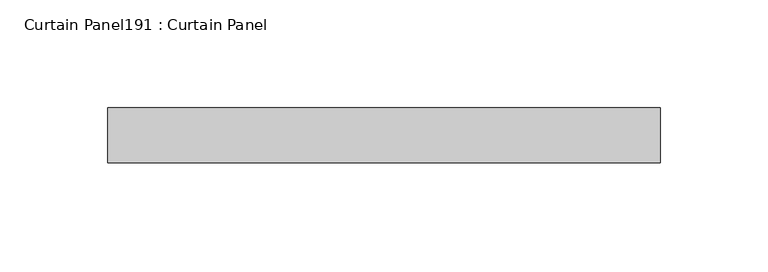
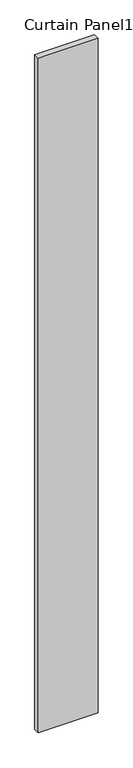
"""IFC4 building model written with IfcOpenShell, lengths in millimetres: plate geometry, Curtain Panel191 : Curtain Panel."""

from ifc_helpers import new_model, si_unit, frame, origin, place, context, project, spatial, polyline, outline, extrude, source, transform, mapped, element, save


def curtain_panel191_curtain_panel_98c8cd38(model_context):
    return source(origin(), model_context, "Body", "SweptSolid", [
        extrude(outline(polyline([(599538.844172, 2949.0995813), (599283.1189525, 2949.0995813), (599283.1189525, 2974.4995813), (599538.844172, 2974.4995813), (599538.844172, 2949.0995813)])), frame((0.0, 0.0, 4959.7989371), z_axis=(0.0, 0.0, 1.0), x_axis=(1.0, 0.0, 0.0)), (0.0, 0.0, 1.0), 3048.0),
    ])


if __name__ == "__main__":
    model = new_model("IFC4")
    model_context = context("Model", 3, world=origin())
    ifc_project = project(units=[si_unit("LENGTHUNIT", "METRE", prefix="MILLI")], contexts=[model_context])
    site = spatial("IfcSite", under=ifc_project)
    building = spatial("IfcBuilding", under=site)
    placement = place(None, origin())
    curtain_panel191_curtain_panel_shape = curtain_panel191_curtain_panel_98c8cd38(model_context)
    element("IfcPlate", 1, ObjectType="Curtain Panel191 : Curtain Panel", at=placement, inside=building, context=model_context, shape_type="MappedRepresentation", body=[
        mapped(curtain_panel191_curtain_panel_shape, transform((0.0, 0.0, 0.0), x_axis=(1.0, 0.0, 0.0), y_axis=(0.0, 1.0, 0.0), z_axis=(0.0, 0.0, 1.0))),
    ])
    save(model, "model.ifc")
